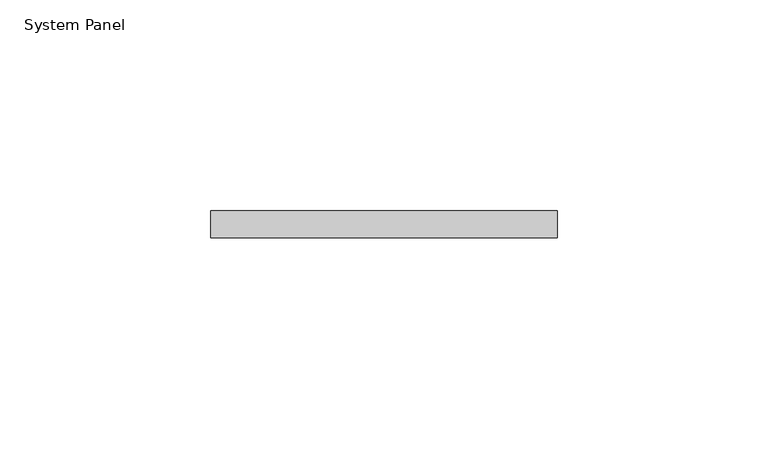
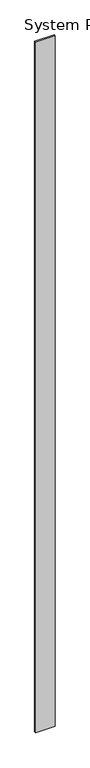
"""IFC4 building model written with IfcOpenShell, lengths in millimetres: plate geometry, System Panel."""

from ifc_helpers import new_model, si_unit, origin, origin_with_axes, place, context, project, spatial, polyline, outline, extrude, source, transform, mapped, element, save


def system_panel_c8ceae31(model_context):
    return source(origin(), model_context, "Body", "SweptSolid", [
        extrude(outline(polyline([(41.0667965, 0.0), (-41.0667965, 0.0), (-41.0667965, 6.35), (41.0667965, 6.35), (41.0667965, 0.0)])), origin_with_axes(), (0.0, 0.0, 1.0), 3048.0),
    ])


if __name__ == "__main__":
    model = new_model("IFC4")
    model_context = context("Model", 3, world=origin())
    ifc_project = project(units=[si_unit("LENGTHUNIT", "METRE", prefix="MILLI")], contexts=[model_context])
    site = spatial("IfcSite", under=ifc_project)
    building = spatial("IfcBuilding", under=site)
    placement = place(None, origin())
    system_panel_shape = system_panel_c8ceae31(model_context)
    element("IfcPlate", 1, ObjectType="System Panel", at=placement, inside=building, context=model_context, shape_type="MappedRepresentation", body=[
        mapped(system_panel_shape, transform((0.0, 0.0, 0.0), x_axis=(1.0, 0.0, 0.0), y_axis=(0.0, 1.0, 0.0), z_axis=(0.0, 0.0, 1.0))),
    ])
    save(model, "model.ifc")
